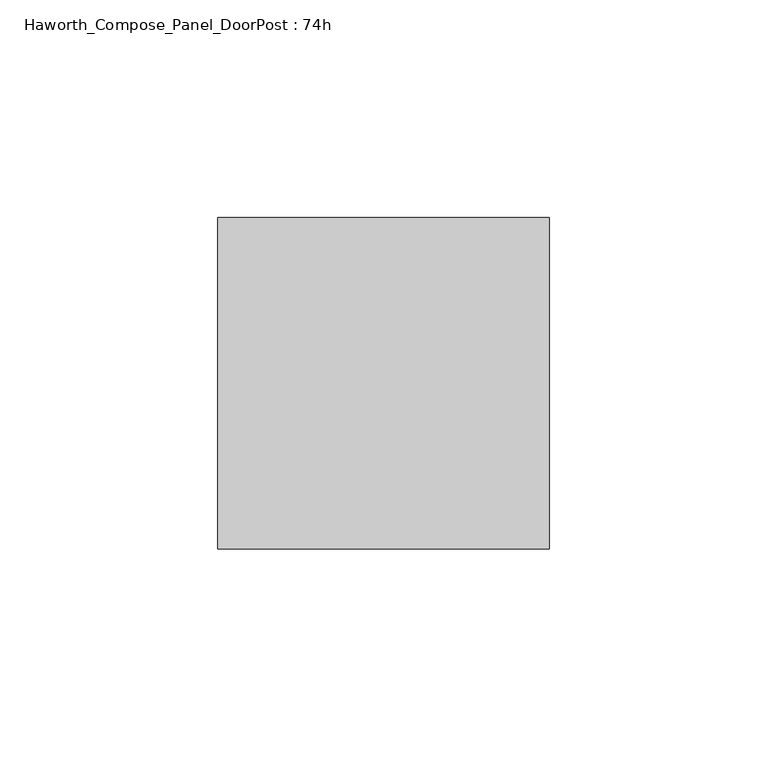
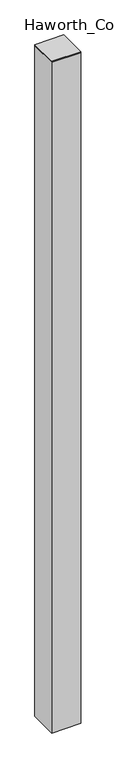
"""IFC4 building model written with IfcOpenShell, lengths in millimetres: furniture geometry, Haworth_Compose_Panel_DoorPost : 74h."""

from ifc_helpers import new_model, si_unit, frame, origin, place, context, project, spatial, polyline, outline, extrude, source, transform, mapped, element, save


def haworth_compose_panel_doorpost_74h_7006638e(model_context):
    return source(origin(), model_context, "Body", "SweptSolid", [
        extrude(outline(polyline([(76.2, 38.1), (76.2, -38.1), (0.0, -38.1), (0.0, 38.1), (76.2, 38.1)])), frame((0.0, 0.0, 12.7), z_axis=(0.0, 0.0, 1.0), x_axis=(1.0, 0.0, 0.0)), (0.0, 0.0, 1.0), 1860.55),
        extrude(outline(polyline([(0.0, 38.1), (76.2, 38.1), (76.2, -38.1), (0.0, -38.1), (0.0, 38.1)])), frame((0.0, 0.0, 1873.25), z_axis=(0.0, 0.0, 1.0), x_axis=(1.0, 0.0, 0.0)), (0.0, 0.0, 1.0), 3.175),
    ])


if __name__ == "__main__":
    model = new_model("IFC4")
    model_context = context("Model", 3, world=origin())
    ifc_project = project(units=[si_unit("LENGTHUNIT", "METRE", prefix="MILLI")], contexts=[model_context])
    site = spatial("IfcSite", under=ifc_project)
    building = spatial("IfcBuilding", under=site)
    placement = place(None, origin())
    haworth_compose_panel_doorpost_74h_shape = haworth_compose_panel_doorpost_74h_7006638e(model_context)
    element("IfcFurniture", 1, ObjectType="Haworth_Compose_Panel_DoorPost : 74h", at=placement, inside=building, context=model_context, shape_type="MappedRepresentation", body=[
        mapped(haworth_compose_panel_doorpost_74h_shape, transform((0.0, 0.0, 0.0), x_axis=(1.0, 0.0, 0.0), y_axis=(0.0, 1.0, 0.0), z_axis=(0.0, 0.0, 1.0))),
    ])
    save(model, "model.ifc")
